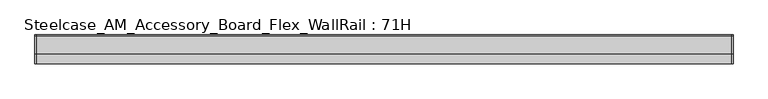
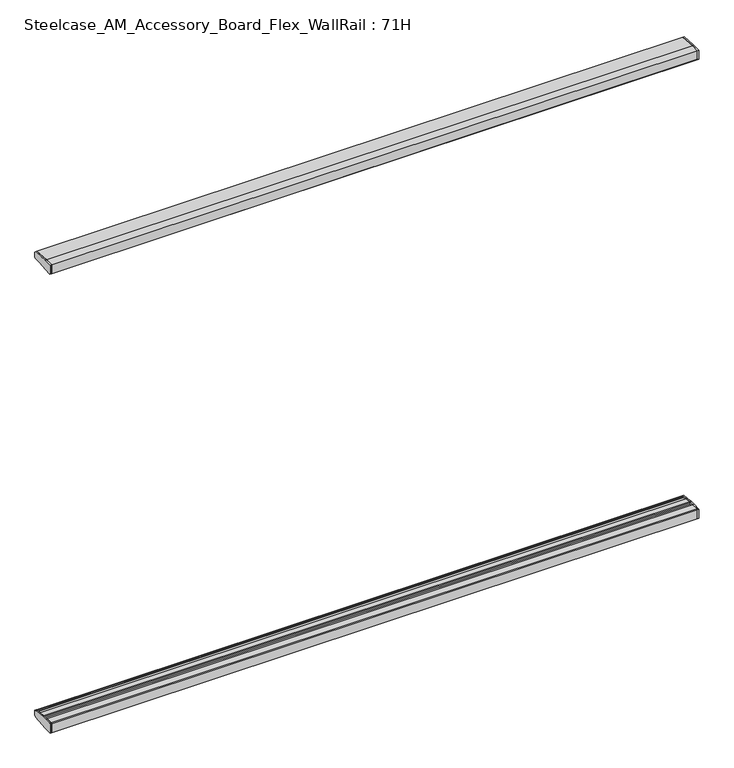
"""IFC4 building model written with IfcOpenShell, lengths in millimetres: furniture geometry, Steelcase_AM_Accessory_Board_Flex_WallRail : 71H."""

from ifc_helpers import new_model, si_unit, frame, origin, place, context, project, spatial, polyline, outline, extrude, source, transform, mapped, element, save


def steelcase_am_accessory_board_flex_wallrail_71h_cf4f2266(model_context):
    return source(origin(), model_context, "Body", "SweptSolid", [
        extrude(outline(polyline([(29.748384, 494.399958), (50.3978144, 493.0470375), (73.1435844, 490.9657693), (98.0172056, 488.9021347), (99.9999601, 486.7480995), (99.9999601, 467.5239814), (95.5653908, 462.6914284), (31.7483991, 457.2), (0.0, 457.2), (0.0, 492.39833), (2.0015978, 494.399958), (29.748384, 494.399958)])), frame((2433.4142578, 0.0, 0.0), z_axis=(1.0, 0.0, 0.0), x_axis=(0.0, 1.0, 0.0)), (0.0, 0.0, 1.0), 4.9857422),
        extrude(outline(polyline([(29.748384, 2278.9875964), (2.0015978, 2278.9875964), (0.0, 2280.9892245), (0.0, 2316.1875545), (31.7483991, 2316.1875545), (95.5653908, 2310.6961261), (99.9999601, 2305.8635731), (99.9999601, 2286.639455), (98.0172056, 2284.4854198), (73.1435844, 2282.4217851), (50.3978144, 2280.3405169), (29.748384, 2278.9875964)])), frame((2433.4142578, 0.0, 0.0), z_axis=(1.0, 0.0, 0.0), x_axis=(0.0, 1.0, 0.0)), (0.0, 0.0, 1.0), 4.9857422),
        extrude(outline(polyline([(29.748384, 494.399958), (50.3978144, 493.0470375), (73.1435844, 490.9657693), (98.0172056, 488.9021347), (99.9999601, 486.7480995), (99.9999601, 467.5239814), (95.5653908, 462.6914284), (31.7483991, 457.2), (0.0, 457.2), (0.0, 492.39833), (2.0015978, 494.399958), (29.748384, 494.399958)])), frame((0.0, 0.0, 0.0), z_axis=(1.0, 0.0, 0.0), x_axis=(0.0, 1.0, 0.0)), (0.0, 0.0, 1.0), 4.9857422),
        extrude(outline(polyline([(29.748384, 2278.9875964), (2.0015978, 2278.9875964), (0.0, 2280.9892245), (0.0, 2316.1875545), (31.7483991, 2316.1875545), (95.5653908, 2310.6961261), (99.9999601, 2305.8635731), (99.9999601, 2286.639455), (98.0172056, 2284.4854198), (73.1435844, 2282.4217851), (50.3978144, 2280.3405169), (29.748384, 2278.9875964)])), frame((0.0, 0.0, 0.0), z_axis=(1.0, 0.0, 0.0), x_axis=(0.0, 1.0, 0.0)), (0.0, 0.0, 1.0), 4.9857422),
        extrude(outline(polyline([(0.0, 492.39833), (2.0015978, 494.399958), (29.748384, 494.399958), (31.7499758, 492.398336), (31.7499758, 484.9937772), (48.4030258, 484.9937772), (48.4030258, 491.016882), (50.3978144, 493.0470375), (73.1435844, 490.9657693), (75.1383233, 488.7986526), (75.1383227, 484.9937772), (91.9999735, 484.9937772), (91.9999743, 487.4118187), (93.9826847, 489.2368579), (98.0172056, 488.9021347), (99.9999598, 486.7480995), (99.9999606, 467.5239822), (95.5653908, 462.6914284), (31.7483991, 457.2), (0.0, 457.2), (0.0, 492.39833)])), frame((4.9857422, 0.0, 0.0), z_axis=(1.0, 0.0, 0.0), x_axis=(0.0, 1.0, 0.0)), (0.0, 0.0, 1.0), 2428.4285156),
        extrude(outline(polyline([(0.0, 2280.9892245), (0.0, 2316.1875545), (31.7483991, 2316.1875545), (95.5653908, 2310.6961261), (99.9999601, 2305.8635728), (99.9999601, 2286.6394553), (98.0172056, 2284.4854198), (93.9826847, 2284.1506966), (91.9999743, 2285.9757358), (91.9999735, 2288.3937772), (75.1383227, 2288.3937772), (75.1383233, 2284.5889019), (73.1435844, 2282.4217851), (50.3978144, 2280.3405169), (48.4030258, 2282.3706725), (48.4030258, 2288.3937772), (31.7499758, 2288.3937772), (31.7499758, 2280.9892185), (29.748384, 2278.9875964), (2.0015978, 2278.9875964), (0.0, 2280.9892245)])), frame((4.9857422, 0.0, 0.0), z_axis=(1.0, 0.0, 0.0), x_axis=(0.0, 1.0, 0.0)), (0.0, 0.0, 1.0), 2428.4285156),
    ])


if __name__ == "__main__":
    model = new_model("IFC4")
    model_context = context("Model", 3, world=origin())
    ifc_project = project(units=[si_unit("LENGTHUNIT", "METRE", prefix="MILLI")], contexts=[model_context])
    site = spatial("IfcSite", under=ifc_project)
    building = spatial("IfcBuilding", under=site)
    placement = place(None, origin())
    steelcase_am_accessory_board_flex_wallrail_71h_shape = steelcase_am_accessory_board_flex_wallrail_71h_cf4f2266(model_context)
    element("IfcFurniture", 1, ObjectType="Steelcase_AM_Accessory_Board_Flex_WallRail : 71H", at=placement, inside=building, context=model_context, shape_type="MappedRepresentation", body=[
        mapped(steelcase_am_accessory_board_flex_wallrail_71h_shape, transform((0.0, 0.0, 0.0), x_axis=(1.0, 0.0, 0.0), y_axis=(0.0, 1.0, 0.0), z_axis=(0.0, 0.0, 1.0))),
    ])
    save(model, "model.ifc")
